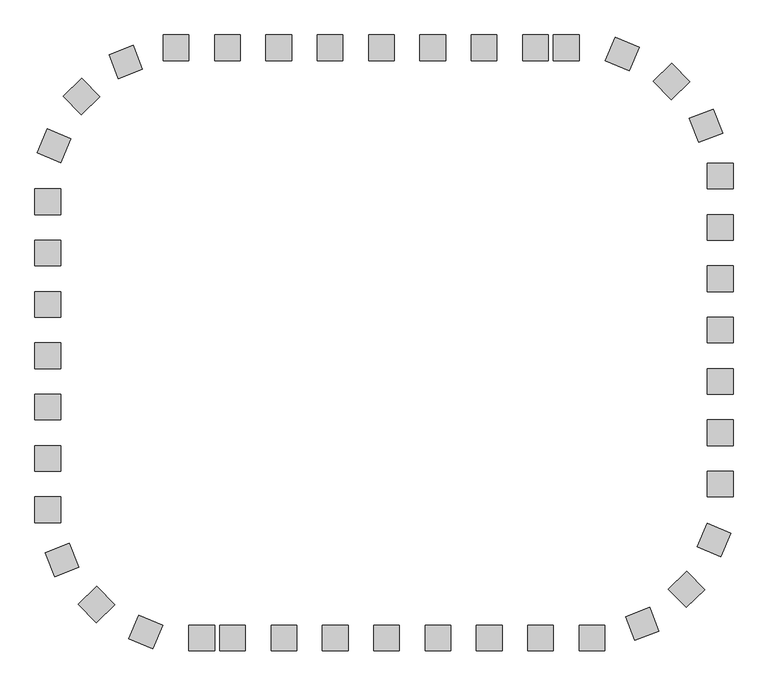
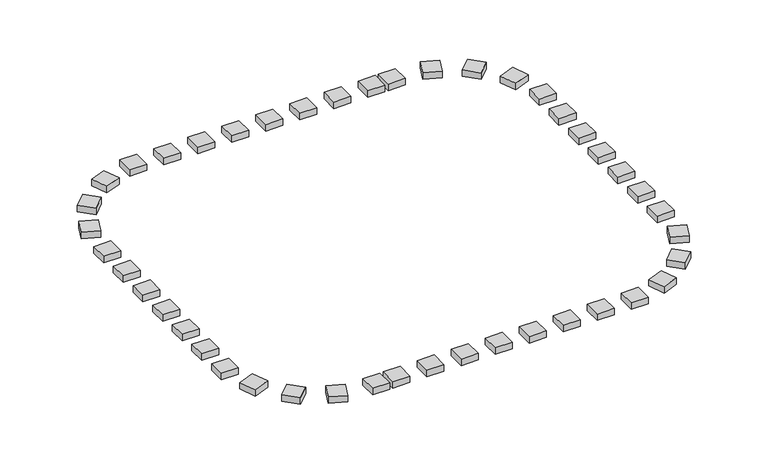
"""IFC4 building model written with IfcOpenShell, lengths in millimetres: railing geometry."""

from ifc_helpers import new_model, si_unit, origin, origin_with_axes, place, context, project, spatial, polyline, outline, extrude, source, transform, mapped, element, save


def railing_92a78c21(model_context):
    return source(origin(), model_context, "Body", "SweptSolid", [
        extrude(outline(polyline([(-33457.9798567, -75012.6833659), (-33457.9798567, -75512.6833659), (-33957.9798567, -75512.6833659), (-33957.9798567, -75012.6833659), (-33457.9798567, -75012.6833659)])), origin_with_axes(), (0.0, 0.0, 1.0), 200.0),
        extrude(outline(polyline([(-34457.9798567, -75012.6833659), (-34457.9798567, -75512.6833659), (-34957.9798567, -75512.6833659), (-34957.9798567, -75012.6833659), (-34457.9798567, -75012.6833659)])), origin_with_axes(), (0.0, 0.0, 1.0), 200.0),
        extrude(outline(polyline([(-35457.9798567, -75012.6833659), (-35457.9798567, -75512.6833659), (-35957.9798567, -75512.6833659), (-35957.9798567, -75012.6833659), (-35457.9798567, -75012.6833659)])), origin_with_axes(), (0.0, 0.0, 1.0), 200.0),
        extrude(outline(polyline([(-36457.9798567, -75012.6833659), (-36457.9798567, -75512.6833659), (-36957.9798567, -75512.6833659), (-36957.9798567, -75012.6833659), (-36457.9798567, -75012.6833659)])), origin_with_axes(), (0.0, 0.0, 1.0), 200.0),
        extrude(outline(polyline([(-37457.9798567, -75012.6833659), (-37457.9798567, -75512.6833659), (-37957.9798567, -75512.6833659), (-37957.9798567, -75012.6833659), (-37457.9798567, -75012.6833659)])), origin_with_axes(), (0.0, 0.0, 1.0), 200.0),
        extrude(outline(polyline([(-38457.9798567, -75012.6833659), (-38457.9798567, -75512.6833659), (-38957.9798567, -75512.6833659), (-38957.9798567, -75012.6833659), (-38457.9798567, -75012.6833659)])), origin_with_axes(), (0.0, 0.0, 1.0), 200.0),
        extrude(outline(polyline([(-39457.9798567, -75012.6833659), (-39457.9798567, -75512.6833659), (-39957.9798567, -75512.6833659), (-39957.9798567, -75012.6833659), (-39457.9798567, -75012.6833659)])), origin_with_axes(), (0.0, 0.0, 1.0), 200.0),
        extrude(outline(polyline([(-41545.0531201, -75216.566108), (-41363.8742429, -75682.5856509), (-41829.8937858, -75863.7645282), (-42011.0726631, -75397.7449852), (-41545.0531201, -75216.566108)])), origin_with_axes(), (0.0, 0.0, 1.0), 200.0),
        extrude(outline(polyline([(-42548.0999847, -75860.6150932), (-42199.74663, -76219.2931386), (-42558.4246755, -76567.6464933), (-42906.7780302, -76208.9684478), (-42548.0999847, -75860.6150932)])), origin_with_axes(), (0.0, 0.0, 1.0), 200.0),
        extrude(outline(polyline([(-43221.1628387, -76844.4283389), (-42760.6323417, -77039.1375101), (-42955.3415128, -77499.6680071), (-43415.8720098, -77304.9588359), (-43221.1628387, -76844.4283389)])), origin_with_axes(), (0.0, 0.0, 1.0), 200.0),
        extrude(outline(polyline([(-43457.9798567, -79012.6833659), (-42957.9798567, -79012.6833659), (-42957.9798567, -79512.6833659), (-43457.9798567, -79512.6833659), (-43457.9798567, -79012.6833659)])), origin_with_axes(), (0.0, 0.0, 1.0), 200.0),
        extrude(outline(polyline([(-43457.9798567, -80012.6833659), (-42957.9798567, -80012.6833659), (-42957.9798567, -80512.6833659), (-43457.9798567, -80512.6833659), (-43457.9798567, -80012.6833659)])), origin_with_axes(), (0.0, 0.0, 1.0), 200.0),
        extrude(outline(polyline([(-43457.9798567, -81012.6833659), (-42957.9798567, -81012.6833659), (-42957.9798567, -81512.6833659), (-43457.9798567, -81512.6833659), (-43457.9798567, -81012.6833659)])), origin_with_axes(), (0.0, 0.0, 1.0), 200.0),
        extrude(outline(polyline([(-43457.9798567, -82012.6833659), (-42957.9798567, -82012.6833659), (-42957.9798567, -82512.6833659), (-43457.9798567, -82512.6833659), (-43457.9798567, -82012.6833659)])), origin_with_axes(), (0.0, 0.0, 1.0), 200.0),
        extrude(outline(polyline([(-43457.9798567, -83012.6833659), (-42957.9798567, -83012.6833659), (-42957.9798567, -83512.6833659), (-43457.9798567, -83512.6833659), (-43457.9798567, -83012.6833659)])), origin_with_axes(), (0.0, 0.0, 1.0), 200.0),
        extrude(outline(polyline([(-43254.0971146, -85099.7566293), (-42788.0775716, -84918.5777521), (-42606.8986944, -85384.597295), (-43072.9182373, -85565.7761723), (-43254.0971146, -85099.7566293)])), origin_with_axes(), (0.0, 0.0, 1.0), 200.0),
        extrude(outline(polyline([(-42610.0481294, -86102.8034939), (-42251.3700839, -85754.4501392), (-41903.0167292, -86113.1281847), (-42261.6947747, -86461.4815394), (-42610.0481294, -86102.8034939)])), origin_with_axes(), (0.0, 0.0, 1.0), 200.0),
        extrude(outline(polyline([(-41626.2348836, -86775.8663479), (-41431.5257124, -86315.3358509), (-40970.9952154, -86510.045022), (-41165.7043866, -86970.575519), (-41626.2348836, -86775.8663479)])), origin_with_axes(), (0.0, 0.0, 1.0), 200.0),
        extrude(outline(polyline([(-39857.9798567, -87012.6833659), (-39857.9798567, -86512.6833659), (-39357.9798567, -86512.6833659), (-39357.9798567, -87012.6833659), (-39857.9798567, -87012.6833659)])), origin_with_axes(), (0.0, 0.0, 1.0), 200.0),
        extrude(outline(polyline([(-38857.9798567, -87012.6833659), (-38857.9798567, -86512.6833659), (-38357.9798567, -86512.6833659), (-38357.9798567, -87012.6833659), (-38857.9798567, -87012.6833659)])), origin_with_axes(), (0.0, 0.0, 1.0), 200.0),
        extrude(outline(polyline([(-37857.9798567, -87012.6833659), (-37857.9798567, -86512.6833659), (-37357.9798567, -86512.6833659), (-37357.9798567, -87012.6833659), (-37857.9798567, -87012.6833659)])), origin_with_axes(), (0.0, 0.0, 1.0), 200.0),
        extrude(outline(polyline([(-36857.9798567, -87012.6833659), (-36857.9798567, -86512.6833659), (-36357.9798567, -86512.6833659), (-36357.9798567, -87012.6833659), (-36857.9798567, -87012.6833659)])), origin_with_axes(), (0.0, 0.0, 1.0), 200.0),
        extrude(outline(polyline([(-35857.9798567, -87012.6833659), (-35857.9798567, -86512.6833659), (-35357.9798567, -86512.6833659), (-35357.9798567, -87012.6833659), (-35857.9798567, -87012.6833659)])), origin_with_axes(), (0.0, 0.0, 1.0), 200.0),
        extrude(outline(polyline([(-34857.9798567, -87012.6833659), (-34857.9798567, -86512.6833659), (-34357.9798567, -86512.6833659), (-34357.9798567, -87012.6833659), (-34857.9798567, -87012.6833659)])), origin_with_axes(), (0.0, 0.0, 1.0), 200.0),
        extrude(outline(polyline([(-33857.9798567, -87012.6833659), (-33857.9798567, -86512.6833659), (-33357.9798567, -86512.6833659), (-33357.9798567, -87012.6833659), (-33857.9798567, -87012.6833659)])), origin_with_axes(), (0.0, 0.0, 1.0), 200.0),
        extrude(outline(polyline([(-31770.9065932, -86808.8006238), (-31952.0854705, -86342.7810808), (-31486.0659275, -86161.6022035), (-31304.8870503, -86627.6217465), (-31770.9065932, -86808.8006238)])), origin_with_axes(), (0.0, 0.0, 1.0), 200.0),
        extrude(outline(polyline([(-30767.8597286, -86164.7516386), (-31116.2130833, -85806.0735931), (-30757.5350379, -85457.7202384), (-30409.1816832, -85816.3982839), (-30767.8597286, -86164.7516386)])), origin_with_axes(), (0.0, 0.0, 1.0), 200.0),
        extrude(outline(polyline([(-30094.7968747, -85180.9383928), (-30555.3273717, -84986.2292216), (-30360.6182005, -84525.6987246), (-29900.0877035, -84720.4078958), (-30094.7968747, -85180.9383928)])), origin_with_axes(), (0.0, 0.0, 1.0), 200.0),
        extrude(outline(polyline([(-29857.9798567, -83012.6833659), (-30357.9798567, -83012.6833659), (-30357.9798567, -82512.6833659), (-29857.9798567, -82512.6833659), (-29857.9798567, -83012.6833659)])), origin_with_axes(), (0.0, 0.0, 1.0), 200.0),
        extrude(outline(polyline([(-29857.9798567, -82012.6833659), (-30357.9798567, -82012.6833659), (-30357.9798567, -81512.6833659), (-29857.9798567, -81512.6833659), (-29857.9798567, -82012.6833659)])), origin_with_axes(), (0.0, 0.0, 1.0), 200.0),
        extrude(outline(polyline([(-29857.9798567, -81012.6833659), (-30357.9798567, -81012.6833659), (-30357.9798567, -80512.6833659), (-29857.9798567, -80512.6833659), (-29857.9798567, -81012.6833659)])), origin_with_axes(), (0.0, 0.0, 1.0), 200.0),
        extrude(outline(polyline([(-29857.9798567, -80012.6833659), (-30357.9798567, -80012.6833659), (-30357.9798567, -79512.6833659), (-29857.9798567, -79512.6833659), (-29857.9798567, -80012.6833659)])), origin_with_axes(), (0.0, 0.0, 1.0), 200.0),
        extrude(outline(polyline([(-29857.9798567, -79012.6833659), (-30357.9798567, -79012.6833659), (-30357.9798567, -78512.6833659), (-29857.9798567, -78512.6833659), (-29857.9798567, -79012.6833659)])), origin_with_axes(), (0.0, 0.0, 1.0), 200.0),
        extrude(outline(polyline([(-30061.8625988, -76925.6101024), (-30527.8821418, -77106.7889797), (-30709.061019, -76640.7694367), (-30243.041476, -76459.5905594), (-30061.8625988, -76925.6101024)])), origin_with_axes(), (0.0, 0.0, 1.0), 200.0),
        extrude(outline(polyline([(-30705.911584, -75922.5632378), (-31064.5896294, -76270.9165925), (-31412.9429841, -75912.238547), (-31054.2649386, -75563.8851924), (-30705.911584, -75922.5632378)])), origin_with_axes(), (0.0, 0.0, 1.0), 200.0),
        extrude(outline(polyline([(-31689.7248297, -75249.5003839), (-31884.4340009, -75710.0308809), (-32344.9644979, -75515.3217097), (-32150.2553267, -75054.7912127), (-31689.7248297, -75249.5003839)])), origin_with_axes(), (0.0, 0.0, 1.0), 200.0),
        extrude(outline(polyline([(-32857.9798567, -75012.6833659), (-32857.9798567, -75512.6833659), (-33357.9798567, -75512.6833659), (-33357.9798567, -75012.6833659), (-32857.9798567, -75012.6833659)])), origin_with_axes(), (0.0, 0.0, 1.0), 200.0),
        extrude(outline(polyline([(-40457.9798567, -75012.6833659), (-40457.9798567, -75512.6833659), (-40957.9798567, -75512.6833659), (-40957.9798567, -75012.6833659), (-40457.9798567, -75012.6833659)])), origin_with_axes(), (0.0, 0.0, 1.0), 200.0),
        extrude(outline(polyline([(-43457.9798567, -78012.6833659), (-42957.9798567, -78012.6833659), (-42957.9798567, -78512.6833659), (-43457.9798567, -78512.6833659), (-43457.9798567, -78012.6833659)])), origin_with_axes(), (0.0, 0.0, 1.0), 200.0),
        extrude(outline(polyline([(-43457.9798567, -84012.6833659), (-42957.9798567, -84012.6833659), (-42957.9798567, -84512.6833659), (-43457.9798567, -84512.6833659), (-43457.9798567, -84012.6833659)])), origin_with_axes(), (0.0, 0.0, 1.0), 200.0),
        extrude(outline(polyline([(-40457.9798567, -87012.6833659), (-40457.9798567, -86512.6833659), (-39957.9798567, -86512.6833659), (-39957.9798567, -87012.6833659), (-40457.9798567, -87012.6833659)])), origin_with_axes(), (0.0, 0.0, 1.0), 200.0),
        extrude(outline(polyline([(-32857.9798567, -87012.6833659), (-32857.9798567, -86512.6833659), (-32357.9798567, -86512.6833659), (-32357.9798567, -87012.6833659), (-32857.9798567, -87012.6833659)])), origin_with_axes(), (0.0, 0.0, 1.0), 200.0),
        extrude(outline(polyline([(-29857.9798567, -84012.6833659), (-30357.9798567, -84012.6833659), (-30357.9798567, -83512.6833659), (-29857.9798567, -83512.6833659), (-29857.9798567, -84012.6833659)])), origin_with_axes(), (0.0, 0.0, 1.0), 200.0),
        extrude(outline(polyline([(-29857.9798567, -78012.6833659), (-30357.9798567, -78012.6833659), (-30357.9798567, -77512.6833659), (-29857.9798567, -77512.6833659), (-29857.9798567, -78012.6833659)])), origin_with_axes(), (0.0, 0.0, 1.0), 200.0),
    ])


if __name__ == "__main__":
    model = new_model("IFC4")
    model_context = context("Model", 3, world=origin())
    ifc_project = project(units=[si_unit("LENGTHUNIT", "METRE", prefix="MILLI")], contexts=[model_context])
    site = spatial("IfcSite", under=ifc_project)
    building = spatial("IfcBuilding", under=site)
    placement = place(None, origin())
    railing_shape = railing_92a78c21(model_context)
    element("IfcRailing", 1, at=placement, inside=building, context=model_context, shape_type="MappedRepresentation", body=[
        mapped(railing_shape, transform((0.0, 0.0, 0.0), x_axis=(1.0, 0.0, 0.0), y_axis=(0.0, 1.0, 0.0), z_axis=(0.0, 0.0, 1.0))),
    ])
    save(model, "model.ifc")
